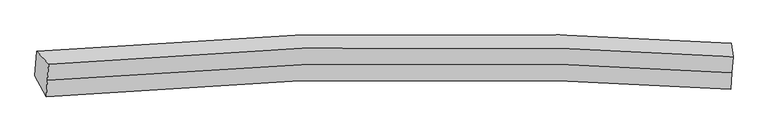
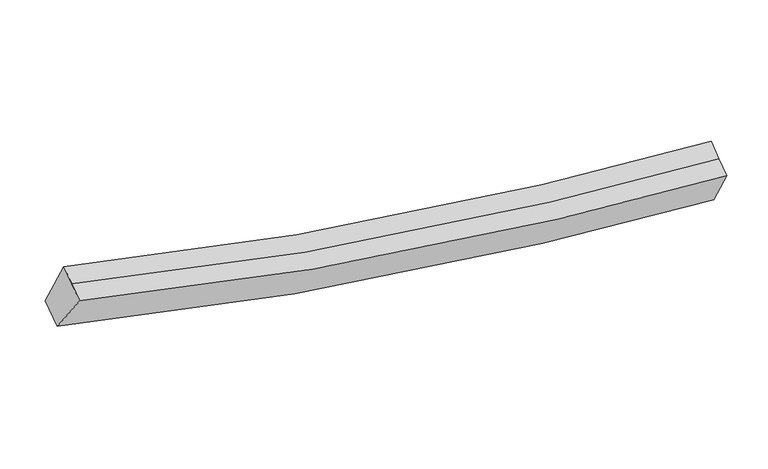
"""IFC4 building model written with IfcOpenShell, lengths in millimetres: proxy geometry."""

from ifc_helpers import new_model, si_unit, frame, origin, place, context, project, spatial, source, transform, mapped, element, save
from ifc_brep_helpers import plane_surface, spline_curve, spline_surface, advanced_brep


def generic_models_546506e4(model_context):
    return source(origin(), model_context, "Body", "AdvancedBrep", [
        advanced_brep(
        [(-6201.8592546, -1842.7630441, 4010.4298718), (-6007.7055878, -2054.2162155, 4687.8794235), (5160.1458846, -1931.2777505, 2969.7978831), (5127.8209824, -1717.3864453, 2266.5542587), (-6026.8195873, -2319.3439319, 4542.8999235), (5141.0732856, -2195.8312065, 2825.1324053), (-6045.9335867, -2584.4716483, 4397.9204235), (5122.0006866, -2460.3846626, 2680.4669274), (-6230.5246868, -2240.3774009, 3793.0028467), (5099.2383511, -2113.8522813, 2049.7552779)],
        [
            (0, 1),
            (1, 2, spline_curve(3, [(-6007.7055878, -2054.2162155, 4687.8794235), (-3268.007148563, -1797.463182862, 3845.498205964), (-487.302927505, -1710.347942872, 3312.751803335), (3271.794593276, -1820.284938718, 3015.521325746), (4213.707530088, -1866.420690628, 2975.573880962), (5160.1458846, -1931.2777505, 2969.7978831)], [4, 2, 4], [0.0, 28.126162601881582, 37.469827885194846])),
            (2, 3),
            (3, 0, spline_curve(3, [(5127.8209824, -1717.3864453, 2266.5542587), (4174.912096698, -1652.112030685, 2272.420099641), (3224.787824504, -1605.713534445, 2312.969633823), (-574.219620555, -1495.34290153, 2614.668806801), (-3400.655426773, -1583.533597537, 3155.411143765), (-6201.8592546, -1842.7630441, 4010.4298718)], [4, 2, 4], [0.0, 9.343665283313264, 37.469827885194846])),
            (1, 4),
            (4, 5, spline_curve(3, [(-6026.8195873, -2319.3439319, 4542.8999235), (-3287.096989081, -2062.255792604, 3700.701951619), (-506.378968212, -1974.949132379, 3168.060223285), (3252.72313763, -2084.822537386, 2870.864519123), (4194.636074415, -2130.958289149, 2830.917074575), (5141.0732856, -2195.8312065, 2825.1324053)], [4, 2, 4], [0.0, 27.924330598485483, 37.200946184693336])),
            (5, 2),
            (4, 6),
            (6, 7, spline_curve(3, [(-6045.9335867, -2584.4716483, 4397.9204235), (-3306.186828752, -2327.048402569, 3555.905697937), (-525.455008133, -2239.550322246, 3023.368643589), (3233.651681723, -2349.360136067, 2726.207712382), (4175.564618684, -2395.495888113, 2686.260267759), (5122.0006866, -2460.3846626, 2680.4669274)], [4, 2, 4], [0.0, 27.92432873490994, 37.200943702027786])),
            (7, 5),
            (6, 8),
            (8, 9, spline_curve(3, [(-6230.5246868, -2240.3774009, 3793.0028467), (-3429.272541493, -1980.477741085, 2938.350610763), (-602.809133811, -1891.904204846, 2397.81762129), (3196.207479427, -2002.14765568, 2096.187995714), (4146.331751761, -2048.546151963, 2055.638461468), (5099.2383511, -2113.8522813, 2049.7552779)], [4, 2, 4], [0.0, 28.12615890724633, 37.46982296318153])),
            (9, 7),
            (8, 0),
            (3, 9),
        ],
        [
            spline_surface(3, 3, [[(-6201.8592546, -1842.7630441, 4010.4298718), (-3400.655426983, -1583.533597505, 3155.411143355), (-574.2196203, -1495.342901752, 2614.668806561), (3224.787824419, -1605.713534371, 2312.969633903), (4174.912096773, -1652.112030559, 2272.420099693), (5127.8209824, -1717.3864453, 2266.5542587)], [(-6137.141365684, -1913.24743457, 4236.246389034), (-3356.439334125, -1654.843459375, 3385.44016419), (-545.24738944, -1567.011248827, 2847.363138928), (3240.456747375, -1677.23733583, 2547.153531144), (4187.843907891, -1723.548250574, 2506.804693486), (5138.595949802, -1788.683547049, 2500.968800187)], [(-6072.423476716, -1983.73182503, 4462.062906266), (-3312.223241213, -1726.153321237, 3615.469185024), (-516.275158536, -1638.679595854, 3080.057471302), (3256.125670377, -1748.761137241, 2781.337428393), (4200.775719001, -1794.98447054, 2741.189287218), (5149.370917198, -1859.980648751, 2735.383341613)], [(-6007.7055878, -2054.2162155, 4687.8794235), (-3268.007148354, -1797.463183108, 3845.498205858), (-487.302927676, -1710.347942929, 3312.751803669), (3271.794593333, -1820.284938699, 3015.521325635), (4213.707530119, -1866.420690555, 2975.573881012), (5160.1458846, -1931.2777505, 2969.7978831)]], [4, 4], [4, 2, 4], [0.0, 2.410204781877311], [0.0, 28.126162601881582, 37.469827885194846]),
            spline_surface(3, 3, [[(-6007.7055878, -2054.2162155, 4687.8794235), (-3268.007148354, -1797.463183108, 3845.498205858), (-487.302927676, -1710.347942929, 3312.751803669), (3271.794593333, -1820.284938699, 3015.521325635), (4213.707530119, -1866.420690555, 2975.573881012), (5160.1458846, -1931.2777505, 2969.7978831)], [(-6014.076920949, -2142.592120953, 4639.552923489), (-3274.370428492, -1885.727386315, 3797.232787865), (-493.661607761, -1798.548339432, 3264.521277026), (3265.437441411, -1908.464138266, 2967.302390089), (4207.350378197, -1954.599890121, 2927.354945466), (5153.788351607, -2019.462235842, 2921.57605714)], [(-6020.448254151, -2230.968026447, 4591.226423511), (-3280.733708681, -1973.991589562, 3748.967369905), (-500.020287868, -1886.748735911, 3216.290750363), (3259.080289466, -1996.643337808, 2919.083454524), (4200.993226252, -2042.779089663, 2879.136010001), (5147.430818593, -2107.646721158, 2873.35423126)], [(-6026.8195873, -2319.3439319, 4542.8999235), (-3287.096988818, -2062.255792769, 3700.701951911), (-506.378967953, -1974.949132414, 3168.06022372), (3252.723137544, -2084.822537374, 2870.864518978), (4194.63607433, -2130.95828923, 2830.917074455), (5141.0732856, -2195.8312065, 2825.1324053)]], [4, 4], [4, 2, 4], [0.0, 0.9915877442708803], [0.0, 27.924330598485483, 37.200946184693336]),
            spline_surface(3, 3, [[(-6026.8195873, -2319.3439319, 4542.8999235), (-3287.096988818, -2062.255792769, 3700.701951911), (-506.378967953, -1974.949132414, 3168.06022372), (3252.723137544, -2084.822537374, 2870.864518978), (4194.63607433, -2130.95828923, 2830.917074455), (5141.0732856, -2195.8312065, 2825.1324053)], [(-6033.190920449, -2407.719837353, 4494.573423489), (-3293.460268955, -2150.519995976, 3652.436533917), (-512.737648038, -2063.149528917, 3119.829697077), (3246.365985622, -2173.001736941, 2822.645583433), (4188.278922408, -2219.137488796, 2782.69813891), (5134.715752607, -2284.015691842, 2776.91057934)], [(-6039.562253551, -2496.095742847, 4446.246923511), (-3299.823549045, -2238.784199223, 3604.171115957), (-519.096328145, -2151.349925495, 3071.599170414), (3240.008833677, -2261.180936583, 2774.426647868), (4181.921770463, -2307.316688438, 2734.479203345), (5128.358219593, -2372.200177258, 2728.68875336)], [(-6045.9335867, -2584.4716483, 4397.9204235), (-3306.186829182, -2327.04840243, 3555.905697964), (-525.45500823, -2239.550321998, 3023.368643771), (3233.651681755, -2349.360136149, 2726.207712322), (4175.564618541, -2395.495888005, 2686.260267799), (5122.0006866, -2460.3846626, 2680.4669274)]], [4, 4], [4, 2, 4], [0.0, 0.9915877442708543], [0.0, 27.92432873490994, 37.200943702027786]),
            spline_surface(3, 3, [[(-6045.9335867, -2584.4716483, 4397.9204235), (-3306.186829182, -2327.04840243, 3555.905697964), (-525.45500823, -2239.550321998, 3023.368643771), (3233.651681755, -2349.360136149, 2726.207712322), (4175.564618541, -2395.495888005, 2686.260267799), (5122.0006866, -2460.3846626, 2680.4669274)], [(-6107.463953405, -2469.773565834, 4196.281231249), (-3347.215399831, -2211.524848563, 3350.054002111), (-551.239716879, -2123.668282927, 2814.851636386), (3221.170281009, -2233.622642694, 2516.201140063), (4165.820329633, -2279.845975994, 2476.052998988), (5114.413241408, -2344.873868855, 2470.229710895)], [(-6168.994320095, -2355.075483366, 3994.642038951), (-3388.243970463, -2096.001294693, 3144.202306213), (-577.024425504, -2007.786243793, 2606.334629047), (3208.688880287, -2117.885149176, 2306.19456785), (4156.076040803, -2164.19606392, 2265.845730192), (5106.825796292, -2229.363075045, 2259.992494405)], [(-6230.5246868, -2240.3774009, 3793.0028467), (-3429.272541111, -1980.477740827, 2938.35061036), (-602.809134153, -1891.904204722, 2397.817621662), (3196.207479541, -2002.147655721, 2096.18799559), (4146.331751895, -2048.546151909, 2055.63846138), (5099.2383511, -2113.8522813, 2049.7552779)]], [4, 4], [4, 2, 4], [0.0, 2.3584101768868515], [0.0, 28.12615890724633, 37.46982296318153]),
            spline_surface(3, 3, [[(-6230.5246868, -2240.3774009, 3793.0028467), (-3429.272541111, -1980.477740827, 2938.35061036), (-602.809134153, -1891.904204722, 2397.817621662), (3196.207479541, -2002.147655721, 2096.18799559), (4146.331751895, -2048.546151909, 2055.63846138), (5099.2383511, -2113.8522813, 2049.7552779)], [(-6220.969542712, -2107.839281989, 3865.47852174), (-3419.733503047, -1848.163026409, 3010.704121366), (-593.279296193, -1759.717103711, 2470.101349966), (3205.734261176, -1870.002948584, 2168.448541699), (4155.85853353, -1916.401444772, 2127.899007489), (5108.765894875, -1981.697002613, 2122.021604838)], [(-6211.414398688, -1975.301163011, 3937.95419676), (-3410.194465047, -1715.848311923, 3083.05763235), (-583.74945826, -1627.530002762, 2542.385078256), (3215.261042784, -1737.858241508, 2240.709087794), (4165.385315138, -1784.256737696, 2200.159553584), (5118.293438625, -1849.541723987, 2194.287931762)], [(-6201.8592546, -1842.7630441, 4010.4298718), (-3400.655426983, -1583.533597505, 3155.411143355), (-574.2196203, -1495.342901752, 2614.668806561), (3224.787824419, -1605.713534371, 2312.969633903), (4174.912096773, -1652.112030559, 2272.420099693), (5127.8209824, -1717.3864453, 2266.5542587)]], [4, 4], [4, 2, 4], [0.0, 1.4861960843998845], [0.0, 28.327994008098354, 37.73870879013079]),
            plane_surface(frame((5127.3014762, -2055.7252849, 2491.6435868), z_axis=(0.9975045888985938, -0.04016155976754074, -0.0580658612550079), x_axis=(-0.03161435496830886, 0.4812949739383176, -0.8759884021045324))),
            plane_surface(frame((-6121.505779, -2180.4570772, 4222.3081414), z_axis=(-0.9645133219585389, -0.06972158436701945, 0.2546624283985693), x_axis=(-0.06312786774624753, -0.8756381656704683, -0.4788242633107369))),
        ],
        [
            (0, [[1, 2, 3, 4]]),
            (1, [[5, 6, 7, -2]]),
            (2, [[8, 9, 10, -6]]),
            (3, [[11, 12, 13, -9]]),
            (4, [[14, -4, 15, -12]]),
            (5, [[-13, -15, -3, -7, -10]]),
            (6, [[-14, -11, -8, -5, -1]]),
        ],
    ),
    ])


if __name__ == "__main__":
    model = new_model("IFC4")
    model_context = context("Model", 3, world=origin())
    ifc_project = project(units=[si_unit("LENGTHUNIT", "METRE", prefix="MILLI")], contexts=[model_context])
    site = spatial("IfcSite", under=ifc_project)
    building = spatial("IfcBuilding", under=site)
    placement = place(None, origin())
    generic_models_shape = generic_models_546506e4(model_context)
    element("IfcBuildingElementProxy", 1, Name="Generic Models", at=placement, inside=building, context=model_context, shape_type="MappedRepresentation", body=[
        mapped(generic_models_shape, transform((0.0, 0.0, 0.0), x_axis=(1.0, 0.0, 0.0), y_axis=(0.0, 1.0, 0.0), z_axis=(0.0, 0.0, 1.0))),
    ])
    save(model, "model.ifc")
